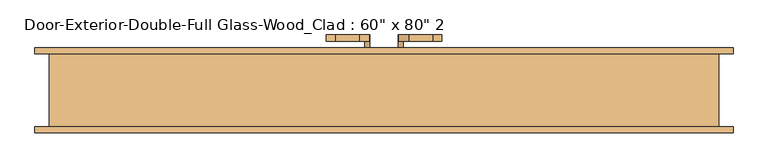
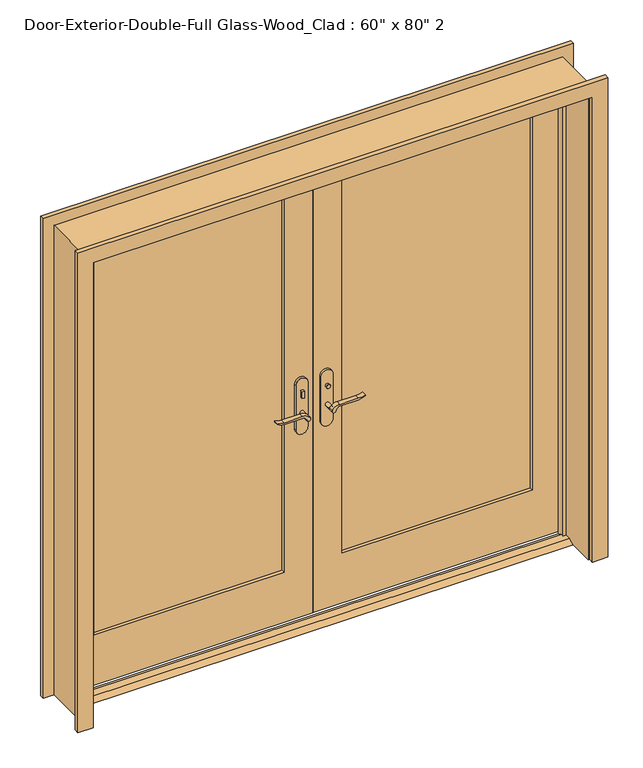
"""IFC4 building model written with IfcOpenShell, lengths in millimetres: door geometry."""

from ifc_helpers import new_model, si_unit, point, frame, frame_2d, origin, place, context, project, spatial, polyline, circle_curve, trimmed, segment, composite_curve, outline, extrude, faceted_brep, source, transform, mapped, element, save


def door_2497924e(model_context):
    return source(origin(), model_context, "Body", "SolidModel", [
        extrude(outline(polyline([(19.05, 12.7), (53.975, 12.7), (79.375, 0.0), (-6.35, 0.0), (19.05, 12.7)])), frame((-1028.7, 0.0, 0.0), z_axis=(1.0, 0.0, 0.0), x_axis=(0.0, 1.0, 0.0)), (0.0, 0.0, 1.0), 2057.4),
        extrude(outline(polyline([(-47.4019111, 56.2), (-57.4019111, 56.2), (-57.4019111, 66.2), (-47.4019111, 66.2), (-47.4019111, 56.2)])), frame((0.0, 0.0, 981.9), z_axis=(0.0, 0.0, 1.0), x_axis=(1.0, 0.0, 0.0)), (0.0, 0.0, 1.0), 30.0),
        extrude(outline(composite_curve([segment(trimmed(circle_curve(frame_2d((996.9, -52.4019111)), 8.0), [point((996.9, -60.4019111))], [point((996.9, -44.4019111))], False, "CARTESIAN"), True, "CONTINUOUS"), segment(trimmed(circle_curve(frame_2d((996.9, -52.4019111)), 8.0), [point((996.9, -44.4019111))], [point((996.9, -60.4019111))], False, "CARTESIAN"), True, "CONTINUOUS")], self_intersect=False)), frame((0.0, 121.125, 0.0), z_axis=(0.0, 1.0, 0.0), x_axis=(0.0, 0.0, 1.0)), (0.0, 0.0, 1.0), 10.0),
        extrude(outline(composite_curve([segment(trimmed(circle_curve(frame_2d((897.1555521, -76.0694241)), 37.2832219), [point((919.0523287, -45.8937749))], [point((934.4, -77.7693445))], False, "CARTESIAN"), True, "CONTINUOUS"), segment(polyline([(934.4, -77.7693445), (934.4, -154.045502)]), True, "CONTINUOUS"), segment(trimmed(circle_curve(frame_2d((1017.6850638, -153.9791202)), 83.2850902), [point((934.4, -154.045502))], [point((939.4, -182.4019111))], True, "CARTESIAN"), True, "CONTINUOUS"), segment(polyline([(939.4, -182.4019111), (936.6135558, -182.4019111)]), True, "CONTINUOUS"), segment(trimmed(circle_curve(frame_2d((986.6709207, -150.4622499)), 59.3791355), [point((936.6135558, -182.4019111))], [point((927.4, -154.045502))], False, "CARTESIAN"), True, "CONTINUOUS"), segment(polyline([(927.4, -154.045502), (927.4, -77.7881013)]), True, "CONTINUOUS"), segment(trimmed(circle_curve(frame_2d((909.2738613, -77.7881013)), 18.1261387), [point((927.4, -77.7881013))], [point((914.4, -60.4019111))], True, "CARTESIAN"), True, "CONTINUOUS"), segment(trimmed(circle_curve(frame_2d((914.4, -52.4019111)), 8.0), [point((914.4, -60.4019111))], [point((919.0523287, -45.8937749))], False, "CARTESIAN"), True, "CONTINUOUS")], self_intersect=False)), frame((0.0, 16.2, 0.0), z_axis=(0.0, 1.0, 0.0), x_axis=(0.0, 0.0, 1.0)), (0.0, 0.0, 1.0), 20.0),
        extrude(outline(composite_curve([segment(trimmed(circle_curve(frame_2d((914.4, -52.4019111)), 8.0), [point((914.3999903, -60.4019111))], [point((919.0523287, -45.8937749))], False, "CARTESIAN"), True, "CONTINUOUS"), segment(trimmed(circle_curve(frame_2d((897.1555521, -76.0694241)), 37.2832219), [point((919.0523287, -45.8937749))], [point((934.4, -77.7693445))], False, "CARTESIAN"), True, "CONTINUOUS"), segment(polyline([(934.4, -77.7693445), (934.4, -154.045502)]), True, "CONTINUOUS"), segment(trimmed(circle_curve(frame_2d((1017.6850638, -153.9791202)), 83.2850902), [point((934.4, -154.045502))], [point((939.4, -182.4019111))], True, "CARTESIAN"), True, "CONTINUOUS"), segment(polyline([(939.4, -182.4019111), (936.6135558, -182.4019111)]), True, "CONTINUOUS"), segment(trimmed(circle_curve(frame_2d((986.6709207, -150.4622499)), 59.3791355), [point((936.6135558, -182.4019111))], [point((927.4, -154.045502))], False, "CARTESIAN"), True, "CONTINUOUS"), segment(polyline([(927.4, -154.045502), (927.4, -77.788099)]), True, "CONTINUOUS"), segment(trimmed(circle_curve(frame_2d((909.2738682, -77.788099)), 18.1261318), [point((927.4, -77.788099))], [point((914.3999903, -60.4019111))], True, "CARTESIAN"), True, "CONTINUOUS")], self_intersect=False)), frame((0.0, 151.125, 0.0), z_axis=(0.0, 1.0, 0.0), x_axis=(0.0, 0.0, 1.0)), (0.0, 0.0, 1.0), 20.0),
        extrude(outline(composite_curve([segment(trimmed(circle_curve(frame_2d((914.4, -52.4019111)), 8.0), [point((914.4, -60.4019111))], [point((914.4, -44.4019111))], False, "CARTESIAN"), True, "CONTINUOUS"), segment(trimmed(circle_curve(frame_2d((914.4, -52.4019111)), 8.0), [point((914.4, -44.4019111))], [point((914.4, -60.4019111))], False, "CARTESIAN"), True, "CONTINUOUS")], self_intersect=False)), frame((0.0, 36.2, 0.0), z_axis=(0.0, 1.0, 0.0), x_axis=(0.0, 0.0, 1.0)), (0.0, 0.0, 1.0), 30.0),
        extrude(outline(composite_curve([segment(trimmed(circle_curve(frame_2d((914.4, -52.4019111)), 8.0), [point((914.4, -60.4019111))], [point((914.4, -44.4019111))], False, "CARTESIAN"), True, "CONTINUOUS"), segment(trimmed(circle_curve(frame_2d((914.4, -52.4019111)), 8.0), [point((914.4, -44.4019111))], [point((914.4, -60.4019111))], False, "CARTESIAN"), True, "CONTINUOUS")], self_intersect=False)), frame((0.0, 121.125, 0.0), z_axis=(0.0, 1.0, 0.0), x_axis=(0.0, 0.0, 1.0)), (0.0, 0.0, 1.0), 30.0),
        extrude(outline(composite_curve([segment(polyline([(844.4, -27.4019111), (1039.4, -27.4019111)]), True, "CONTINUOUS"), segment(trimmed(circle_curve(frame_2d((1039.4, -52.4019111)), 25.0), [point((1039.4, -27.4019111))], [point((1039.4, -77.4019111))], False, "CARTESIAN"), True, "CONTINUOUS"), segment(polyline([(1039.4, -77.4019111), (844.4, -77.4019111)]), True, "CONTINUOUS"), segment(trimmed(circle_curve(frame_2d((844.4, -52.4019111)), 25.0), [point((844.4, -77.4019111))], [point((844.4, -27.4019111))], False, "CARTESIAN"), True, "CONTINUOUS")], self_intersect=False)), frame((0.0, 66.2, 0.0), z_axis=(0.0, 1.0, 0.0), x_axis=(0.0, 0.0, 1.0)), (0.0, 0.0, 1.0), 10.0),
        extrude(outline(composite_curve([segment(polyline([(844.4, -27.4019111), (1039.4, -27.4019111)]), True, "CONTINUOUS"), segment(trimmed(circle_curve(frame_2d((1039.4, -52.4019111)), 25.0), [point((1039.4, -27.4019111))], [point((1039.4, -77.4019111))], False, "CARTESIAN"), True, "CONTINUOUS"), segment(polyline([(1039.4, -77.4019111), (844.4, -77.4019111)]), True, "CONTINUOUS"), segment(trimmed(circle_curve(frame_2d((844.4, -52.4019111)), 25.0), [point((844.4, -77.4019111))], [point((844.4, -27.4019111))], False, "CARTESIAN"), True, "CONTINUOUS")], self_intersect=False)), frame((0.0, 111.125, 0.0), z_axis=(0.0, 1.0, 0.0), x_axis=(0.0, 0.0, 1.0)), (0.0, 0.0, 1.0), 10.0),
        extrude(outline(polyline([(47.3875, 131.125), (57.3875, 131.125), (57.3875, 121.125), (47.3875, 121.125), (47.3875, 131.125)])), frame((0.0, 0.0, 981.9), z_axis=(0.0, 0.0, 1.0), x_axis=(1.0, 0.0, 0.0)), (0.0, 0.0, 1.0), 30.0),
        extrude(outline(composite_curve([segment(trimmed(circle_curve(frame_2d((996.9, 52.3875)), 8.0), [point((996.9, 60.3875))], [point((996.9, 44.3875))], False, "CARTESIAN"), True, "CONTINUOUS"), segment(trimmed(circle_curve(frame_2d((996.9, 52.3875)), 8.0), [point((996.9, 44.3875))], [point((996.9, 60.3875))], False, "CARTESIAN"), True, "CONTINUOUS")], self_intersect=False)), frame((0.0, 56.2, 0.0), z_axis=(0.0, 1.0, 0.0), x_axis=(0.0, 0.0, 1.0)), (0.0, 0.0, 1.0), 10.0),
        extrude(outline(composite_curve([segment(trimmed(circle_curve(frame_2d((914.4, 52.3875)), 8.0), [point((919.0523287, 45.8793637))], [point((914.4, 60.3875))], False, "CARTESIAN"), True, "CONTINUOUS"), segment(trimmed(circle_curve(frame_2d((909.2738613, 77.7736901)), 18.1261387), [point((914.4, 60.3875))], [point((927.4, 77.7736901))], True, "CARTESIAN"), True, "CONTINUOUS"), segment(polyline([(927.4, 77.7736901), (927.4, 154.0310909)]), True, "CONTINUOUS"), segment(trimmed(circle_curve(frame_2d((986.6709207, 150.4478388)), 59.3791355), [point((927.4, 154.0310909))], [point((936.6135558, 182.3875))], False, "CARTESIAN"), True, "CONTINUOUS"), segment(polyline([(936.6135558, 182.3875), (939.4, 182.3875)]), True, "CONTINUOUS"), segment(trimmed(circle_curve(frame_2d((1017.6850638, 153.9647091)), 83.2850902), [point((939.4, 182.3875))], [point((934.4, 154.0310909))], True, "CARTESIAN"), True, "CONTINUOUS"), segment(polyline([(934.4, 154.0310909), (934.4, 77.7549333)]), True, "CONTINUOUS"), segment(trimmed(circle_curve(frame_2d((897.1555521, 76.0550129)), 37.2832219), [point((934.4, 77.7549333))], [point((919.0523287, 45.8793637))], False, "CARTESIAN"), True, "CONTINUOUS")], self_intersect=False)), frame((0.0, 151.125, 0.0), z_axis=(0.0, 1.0, 0.0), x_axis=(0.0, 0.0, 1.0)), (0.0, 0.0, 1.0), 20.0),
        extrude(outline(composite_curve([segment(trimmed(circle_curve(frame_2d((909.2738682, 77.7736878)), 18.1261318), [point((914.3999903, 60.3875))], [point((927.4, 77.7736878))], True, "CARTESIAN"), True, "CONTINUOUS"), segment(polyline([(927.4, 77.7736878), (927.4, 154.0310909)]), True, "CONTINUOUS"), segment(trimmed(circle_curve(frame_2d((986.6709207, 150.4478388)), 59.3791355), [point((927.4, 154.0310909))], [point((936.6135558, 182.3875))], False, "CARTESIAN"), True, "CONTINUOUS"), segment(polyline([(936.6135558, 182.3875), (939.4, 182.3875)]), True, "CONTINUOUS"), segment(trimmed(circle_curve(frame_2d((1017.6850638, 153.9647091)), 83.2850902), [point((939.4, 182.3875))], [point((934.4, 154.0310909))], True, "CARTESIAN"), True, "CONTINUOUS"), segment(polyline([(934.4, 154.0310909), (934.4, 77.7549333)]), True, "CONTINUOUS"), segment(trimmed(circle_curve(frame_2d((897.1555521, 76.0550129)), 37.2832219), [point((934.4, 77.7549333))], [point((919.0523287, 45.8793637))], False, "CARTESIAN"), True, "CONTINUOUS"), segment(trimmed(circle_curve(frame_2d((914.4, 52.3875)), 8.0), [point((919.0523287, 45.8793637))], [point((914.3999903, 60.3875))], False, "CARTESIAN"), True, "CONTINUOUS")], self_intersect=False)), frame((0.0, 16.2, 0.0), z_axis=(0.0, 1.0, 0.0), x_axis=(0.0, 0.0, 1.0)), (0.0, 0.0, 1.0), 20.0),
        extrude(outline(composite_curve([segment(trimmed(circle_curve(frame_2d((914.4, 52.3875)), 8.0), [point((914.4, 60.3875))], [point((914.4, 44.3875))], False, "CARTESIAN"), True, "CONTINUOUS"), segment(trimmed(circle_curve(frame_2d((914.4, 52.3875)), 8.0), [point((914.4, 44.3875))], [point((914.4, 60.3875))], False, "CARTESIAN"), True, "CONTINUOUS")], self_intersect=False)), frame((0.0, 121.125, 0.0), z_axis=(0.0, 1.0, 0.0), x_axis=(0.0, 0.0, 1.0)), (0.0, 0.0, 1.0), 30.0),
        extrude(outline(composite_curve([segment(trimmed(circle_curve(frame_2d((914.4, 52.3875)), 8.0), [point((914.4, 60.3875))], [point((914.4, 44.3875))], False, "CARTESIAN"), True, "CONTINUOUS"), segment(trimmed(circle_curve(frame_2d((914.4, 52.3875)), 8.0), [point((914.4, 44.3875))], [point((914.4, 60.3875))], False, "CARTESIAN"), True, "CONTINUOUS")], self_intersect=False)), frame((0.0, 36.2, 0.0), z_axis=(0.0, 1.0, 0.0), x_axis=(0.0, 0.0, 1.0)), (0.0, 0.0, 1.0), 30.0),
        extrude(outline(composite_curve([segment(trimmed(circle_curve(frame_2d((844.4, 52.3875)), 25.0), [point((844.4, 27.3875))], [point((844.4, 77.3875))], False, "CARTESIAN"), True, "CONTINUOUS"), segment(polyline([(844.4, 77.3875), (1039.4, 77.3875)]), True, "CONTINUOUS"), segment(trimmed(circle_curve(frame_2d((1039.4, 52.3875)), 25.0), [point((1039.4, 77.3875))], [point((1039.4, 27.3875))], False, "CARTESIAN"), True, "CONTINUOUS"), segment(polyline([(1039.4, 27.3875), (844.4, 27.3875)]), True, "CONTINUOUS")], self_intersect=False)), frame((0.0, 111.125, 0.0), z_axis=(0.0, 1.0, 0.0), x_axis=(0.0, 0.0, 1.0)), (0.0, 0.0, 1.0), 10.0),
        extrude(outline(composite_curve([segment(trimmed(circle_curve(frame_2d((844.4, 52.3875)), 25.0), [point((844.4, 27.3875))], [point((844.4, 77.3875))], False, "CARTESIAN"), True, "CONTINUOUS"), segment(polyline([(844.4, 77.3875), (1039.4, 77.3875)]), True, "CONTINUOUS"), segment(trimmed(circle_curve(frame_2d((1039.4, 52.3875)), 25.0), [point((1039.4, 77.3875))], [point((1039.4, 27.3875))], False, "CARTESIAN"), True, "CONTINUOUS"), segment(polyline([(1039.4, 27.3875), (844.4, 27.3875)]), True, "CONTINUOUS")], self_intersect=False)), frame((0.0, 66.2, 0.0), z_axis=(0.0, 1.0, 0.0), x_axis=(0.0, 0.0, 1.0)), (0.0, 0.0, 1.0), 10.0),
        extrude(outline(polyline([(0.0, 1035.05), (0.0, 1098.55), (2101.85, 1098.55), (2101.85, -1098.55), (0.0, -1098.55), (0.0, -1035.05), (2038.35, -1035.05), (2038.35, 1035.05), (0.0, 1035.05)])), frame((0.0, 111.125, 0.0), z_axis=(0.0, 1.0, 0.0), x_axis=(0.0, 0.0, 1.0)), (0.0, 0.0, 1.0), 19.05),
        extrude(outline(polyline([(0.0, 1035.05), (0.0, 1098.55), (2101.85, 1098.55), (2101.85, -1098.55), (0.0, -1098.55), (0.0, -1035.05), (2038.35, -1035.05), (2038.35, 1035.05), (0.0, 1035.05)])), frame((0.0, -136.525, 0.0), z_axis=(0.0, 1.0, 0.0), x_axis=(0.0, 0.0, 1.0)), (0.0, 0.0, 1.0), 19.05),
        extrude(outline(polyline([(12.7, 1028.7), (2032.0, 1028.7), (2032.0, 1.5875), (12.7, 1.5875), (12.7, 1028.7)]), holes=[polyline([(1912.9375, 120.65), (1912.9375, 908.05), (231.775, 908.05), (231.775, 120.65), (1912.9375, 120.65)])]), frame((0.0, 76.2, 0.0), z_axis=(0.0, 1.0, 0.0), x_axis=(0.0, 0.0, 1.0)), (0.0, 0.0, 1.0), 34.925),
        extrude(outline(polyline([(2032.0, -1028.7), (12.7, -1028.7), (12.7, -1.6019111), (2032.0, -1.6019111), (2032.0, -1028.7)]), holes=[polyline([(231.775, -908.05), (1912.9375, -908.05), (1912.9375, -120.65), (231.775, -120.65), (231.775, -908.05)])]), frame((0.0, 76.2, 0.0), z_axis=(0.0, 1.0, 0.0), x_axis=(0.0, 0.0, 1.0)), (0.0, 0.0, 1.0), 34.925),
        faceted_brep([(1054.1, 111.125, 0.0), (1054.1, -117.475, 0.0), (1028.7, -117.475, 0.0), (1028.7, 41.275, 0.0), (1016.0, 41.275, 0.0), (1016.0, 76.2, 0.0), (1028.7, 76.2, 0.0), (1028.7, 111.125, 0.0), (1054.1, 111.125, 2057.4), (1054.1, -117.475, 2057.4), (-1054.1, -117.475, 2057.4), (-1054.1, -117.475, 0.0), (-1028.7, -117.475, 0.0), (-1028.7, -117.475, 2032.0), (1028.7, -117.475, 2032.0), (1028.7, 41.275, 2032.0), (-1028.7, 41.275, 2032.0), (-1028.7, 41.275, 0.0), (-1016.0, 41.275, 0.0), (-1016.0, 41.275, 2019.3), (1016.0, 41.275, 2019.3), (1016.0, 76.2, 2019.3), (1.5875, 76.2, 2019.3), (-1.6019111, 76.2, 2019.3), (-1016.0, 76.2, 2019.3), (-1016.0, 76.2, 0.0), (-1028.7, 76.2, 0.0), (-1028.7, 76.2, 2032.0), (-1.6019111, 76.2, 2032.0), (1.5875, 76.2, 2032.0), (1028.7, 76.2, 2032.0), (1028.7, 111.125, 2032.0), (1.5875, 111.125, 2032.0), (-1.6019111, 111.125, 2032.0), (-1028.7, 111.125, 2032.0), (-1028.7, 111.125, 0.0), (-1054.1, 111.125, 0.0), (-1054.1, 111.125, 2057.4)], [[[0, 1, 2, 3, 4, 5, 6, 7]], [[1, 0, 8, 9]], [[2, 1, 9, 10, 11, 12, 13, 14]], [[3, 2, 14, 15]], [[4, 3, 15, 16, 17, 18, 19, 20]], [[5, 4, 20, 21]], [[6, 5, 21, 22, 23, 24, 25, 26, 27, 28, 29, 30]], [[7, 6, 30, 31]], [[0, 7, 31, 32, 33, 34, 35, 36, 37, 8]], [[9, 8, 37, 10]], [[14, 13, 16, 15]], [[20, 19, 24, 23, 22, 21]], [[31, 30, 29, 28, 27, 34, 33, 32]], [[12, 11, 36, 35, 26, 25, 18, 17]], [[11, 10, 37, 36]], [[13, 12, 17, 16]], [[19, 18, 25, 24]], [[27, 26, 35, 34]]]),
        extrude(outline(polyline([(908.05, 90.17), (120.65, 90.17), (120.65, 97.155), (908.05, 97.155), (908.05, 90.17)])), frame((0.0, 0.0, 231.775), z_axis=(0.0, 0.0, 1.0), x_axis=(1.0, 0.0, 0.0)), (0.0, 0.0, 1.0), 1681.1625),
        extrude(outline(polyline([(-120.65, 90.17), (-908.05, 90.17), (-908.05, 97.155), (-120.65, 97.155), (-120.65, 90.17)])), frame((0.0, 0.0, 231.775), z_axis=(0.0, 0.0, 1.0), x_axis=(1.0, 0.0, 0.0)), (0.0, 0.0, 1.0), 1681.1625),
    ])


if __name__ == "__main__":
    model = new_model("IFC4")
    model_context = context("Model", 3, world=origin())
    ifc_project = project(units=[si_unit("LENGTHUNIT", "METRE", prefix="MILLI")], contexts=[model_context])
    site = spatial("IfcSite", under=ifc_project)
    building = spatial("IfcBuilding", under=site)
    placement = place(None, origin())
    door_shape = door_2497924e(model_context)
    element("IfcDoor", 1, ObjectType="Door-Exterior-Double-Full Glass-Wood_Clad : 60\" x 80\" 2", at=placement, inside=building, context=model_context, shape_type="MappedRepresentation", body=[
        mapped(door_shape, transform((0.0, 0.0, 0.0), x_axis=(1.0, 0.0, 0.0), y_axis=(0.0, 1.0, 0.0), z_axis=(0.0, 0.0, 1.0))),
    ])
    save(model, "model.ifc")
